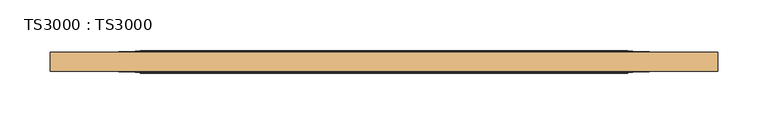
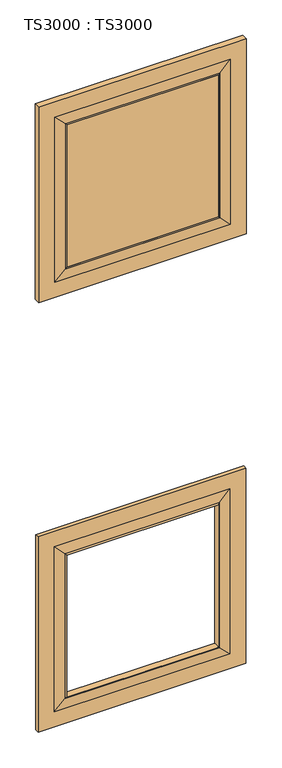
"""IFC4 building model written with IfcOpenShell, lengths in millimetres: door geometry, TS3000 : TS3000."""

from ifc_helpers import new_model, si_unit, frame, origin, place, context, project, spatial, polyline, ellipse_curve, outline, extrude, source, transform, mapped, element, save
from ifc_brep_helpers import plane_surface, revolved_surface, advanced_brep


def ts3000_ts3000_b3d2ea40(model_context):
    return source(origin(), model_context, "Body", "SolidModel", [
        advanced_brep(
        [(787.4, -12.7, 2311.4), (787.4, -31.75, 2311.4), (787.4, -31.75, 1655.2333333), (787.4, -12.7, 1655.2333333), (698.5, -33.3375, 2222.5), (698.5, -11.1125, 2222.5), (698.5, -11.1125, 1744.1333333), (698.5, -33.3375, 1744.1333333), (127.0, -31.75, 1655.2333333), (127.0, -12.7, 1655.2333333), (215.9, -11.1125, 1744.1333333), (215.9, -33.3375, 1744.1333333), (127.0, -31.75, 2311.4), (127.0, -12.7, 2311.4), (215.9, -11.1125, 2222.5), (215.9, -33.3375, 2222.5), (736.6, -31.75, 1706.0333333), (177.8, -31.75, 1706.0333333), (177.8, -31.75, 2260.6), (736.6, -31.75, 2260.6), (736.6, -12.7, 2260.6), (177.8, -12.7, 2260.6), (177.8, -12.7, 1706.0333333), (736.6, -12.7, 1706.0333333), (703.2625, -32.54375, 2227.2625), (703.2625, -32.54375, 1739.3708333), (211.1375, -32.54375, 1739.3708333), (211.1375, -32.54375, 2227.2625), (703.2625, -11.90625, 2227.2625), (703.2625, -11.90625, 1739.3708333), (211.1375, -11.90625, 1739.3708333), (211.1375, -11.90625, 2227.2625)],
        [
            (0, 1),
            (1, 2),
            (2, 3),
            (3, 0),
            (4, 5),
            (5, 6),
            (6, 7),
            (7, 4),
            (2, 8),
            (8, 9),
            (9, 3),
            (6, 10),
            (10, 11),
            (11, 7),
            (8, 12),
            (12, 13),
            (13, 9),
            (10, 14),
            (14, 15),
            (15, 11),
            (1, 12),
            (16, 17),
            (17, 18),
            (18, 19),
            (19, 16),
            (0, 13),
            (20, 21),
            (21, 22),
            (22, 23),
            (23, 20),
            (14, 5),
            (4, 15),
            (19, 24),
            (24, 25),
            (25, 16),
            (25, 26),
            (26, 17),
            (26, 27),
            (27, 18),
            (27, 24),
            (28, 20),
            (23, 29),
            (29, 28),
            (5, 28, ellipse_curve(frame((703.7585938, 5.7546875, 2227.7585938), z_axis=(-0.7071067811865475, 0.0, 0.7071067811865475), x_axis=(-0.7071067811865474, 0.0, -0.7071067811865476)), 24.9861891, 17.6679037)),
            (29, 6, ellipse_curve(frame((703.7585938, 5.7546875, 1738.8747396), z_axis=(-0.7071067811865475, 0.0, -0.7071067811865475), x_axis=(0.7071067811865474, 0.0, -0.7071067811865476)), 24.9861891, 17.6679037)),
            (24, 4, ellipse_curve(frame((703.7585938, -50.2046875, 2227.7585938), z_axis=(-0.7071067811865475, 0.0, 0.7071067811865475), x_axis=(-0.7071067811865474, 0.0, -0.7071067811865476)), 24.9861891, 17.6679037)),
            (7, 25, ellipse_curve(frame((703.7585938, -50.2046875, 1738.8747396), z_axis=(-0.7071067811865475, 0.0, -0.7071067811865475), x_axis=(0.7071067811865474, 0.0, -0.7071067811865476)), 24.9861891, 17.6679037)),
            (22, 30),
            (30, 29),
            (30, 10, ellipse_curve(frame((210.6414063, 5.7546875, 1738.8747396), z_axis=(-0.7071067811865475, 0.0, 0.7071067811865475), x_axis=(-0.7071067811865476, 0.0, -0.7071067811865474)), 24.9861891, 17.6679037)),
            (11, 26, ellipse_curve(frame((210.6414063, -50.2046875, 1738.8747396), z_axis=(-0.7071067811865475, 0.0, 0.7071067811865475), x_axis=(-0.7071067811865476, 0.0, -0.7071067811865474)), 24.9861891, 17.6679037)),
            (21, 31),
            (31, 30),
            (31, 14, ellipse_curve(frame((210.6414063, 5.7546875, 2227.7585938), z_axis=(0.7071067811865475, 0.0, 0.7071067811865475), x_axis=(-0.7071067811865474, 0.0, 0.7071067811865476)), 24.9861891, 17.6679037)),
            (15, 27, ellipse_curve(frame((210.6414063, -50.2046875, 2227.7585938), z_axis=(0.7071067811865475, 0.0, 0.7071067811865475), x_axis=(-0.7071067811865474, 0.0, 0.7071067811865476)), 24.9861891, 17.6679037)),
            (28, 31),
        ],
        [
            plane_surface(frame((787.4, -31.75, 2311.4), z_axis=(1.0, 0.0, 0.0), x_axis=(0.0, 0.0, -1.0))),
            plane_surface(frame((698.5, -11.1125, 2222.5), z_axis=(-1.0, 0.0, 0.0), x_axis=(0.0, 0.0, -1.0))),
            plane_surface(frame((787.4, -31.75, 1655.2333333), z_axis=(0.0, 0.0, -1.0), x_axis=(-1.0, 0.0, 0.0))),
            plane_surface(frame((698.5, -11.1125, 1744.1333333), z_axis=(0.0, 0.0, 1.0), x_axis=(-1.0, 0.0, 0.0))),
            plane_surface(frame((127.0, -31.75, 1655.2333333), z_axis=(-1.0, 0.0, 0.0), x_axis=(0.0, 0.0, 1.0))),
            plane_surface(frame((215.9, -11.1125, 1744.1333333), z_axis=(1.0, 0.0, 0.0), x_axis=(0.0, 0.0, 1.0))),
            plane_surface(frame((177.8, -31.75, 2260.6), z_axis=(0.0, -1.0, 0.0), x_axis=(1.0, 0.0, 0.0))),
            plane_surface(frame((127.0, -31.75, 2311.4), z_axis=(0.0, 0.0, 1.0), x_axis=(1.0, 0.0, 0.0))),
            plane_surface(frame((127.0, -12.7, 2311.4), z_axis=(0.0, 1.0, 0.0), x_axis=(1.0, 0.0, 0.0))),
            plane_surface(frame((215.9, -11.1125, 2222.5), z_axis=(0.0, 0.0, -1.0), x_axis=(1.0, 0.0, 0.0))),
            plane_surface(frame((703.2625, -32.54375, 2227.2625), z_axis=(0.023802777946325054, -0.9997166737441353, 0.0), x_axis=(0.0, 0.0, -1.0))),
            plane_surface(frame((703.2625, -32.54375, 1739.3708333), z_axis=(0.0, -0.9997166737441353, -0.02380277794632829), x_axis=(-1.0, 0.0, 0.0))),
            plane_surface(frame((211.1375, -32.54375, 1739.3708333), z_axis=(-0.023802777946331524, -0.9997166737441352, 0.0), x_axis=(0.0, 0.0, 1.0))),
            plane_surface(frame((211.1375, -32.54375, 2227.2625), z_axis=(0.0, -0.9997166737441353, 0.02380277794632829), x_axis=(1.0, 0.0, 0.0))),
            plane_surface(frame((736.6, -12.7, 2260.6), z_axis=(0.023802777946332284, 0.9997166737441352, 0.0), x_axis=(0.0, 0.0, -1.0))),
            revolved_surface(polyline([(686.0906901, 5.7546875, 1721.2068358513807), (686.0906901, 5.7546875, 2245.4264975486194)]), (703.7585938, 5.7546875, 2222.5), (0.0, 0.0, -1.0)),
            revolved_surface(polyline([(686.0906901, -50.2046875, 1721.2068358513807), (686.0906901, -50.2046875, 2245.4264975486194)]), (703.7585938, -50.2046875, 2222.5), (0.0, 0.0, -1.0)),
            plane_surface(frame((736.6, -12.7, 1706.0333333), z_axis=(0.0, 0.9997166737441353, -0.02380277794632905), x_axis=(-1.0, 0.0, 0.0))),
            revolved_surface(polyline([(192.9735025513806, 5.7546875, 1756.5426433), (721.4264975486194, 5.7546875, 1756.5426433)]), (698.5, 5.7546875, 1738.8747396), (-1.0, 0.0, 0.0)),
            revolved_surface(polyline([(192.9735025513806, -50.2046875, 1756.5426433), (721.4264975486194, -50.2046875, 1756.5426433)]), (698.5, -50.2046875, 1738.8747396), (-1.0, 0.0, 0.0)),
            plane_surface(frame((177.8, -12.7, 1706.0333333), z_axis=(-0.023802777946325817, 0.9997166737441354, 0.0), x_axis=(0.0, 0.0, 1.0))),
            revolved_surface(polyline([(228.30931, 5.7546875, 2245.4264975486194), (228.30931, 5.7546875, 1721.2068358513807)]), (210.6414063, 5.7546875, 1744.1333333), (0.0, 0.0, 1.0)),
            revolved_surface(polyline([(228.30931, -50.2046875, 2245.4264975486194), (228.30931, -50.2046875, 1721.2068358513807)]), (210.6414063, -50.2046875, 1744.1333333), (0.0, 0.0, 1.0)),
            plane_surface(frame((177.8, -12.7, 2260.6), z_axis=(0.0, 0.9997166737441353, 0.02380277794632905), x_axis=(1.0, 0.0, 0.0))),
            revolved_surface(polyline([(721.4264975486194, 5.7546875, 2210.0906901000003), (192.9735025513806, 5.7546875, 2210.0906901000003)]), (215.9, 5.7546875, 2227.7585938), (1.0, 0.0, 0.0)),
            revolved_surface(polyline([(721.4264975486194, -50.2046875, 2210.0906901000003), (192.9735025513806, -50.2046875, 2210.0906901000003)]), (215.9, -50.2046875, 2227.7585938), (1.0, 0.0, 0.0)),
        ],
        [
            (0, [[1, 2, 3, 4]]),
            (1, [[5, 6, 7, 8]]),
            (2, [[-3, 9, 10, 11]]),
            (3, [[-7, 12, 13, 14]]),
            (4, [[-10, 15, 16, 17]]),
            (5, [[-13, 18, 19, 20]]),
            (6, [[21, -15, -9, -2], [22, 23, 24, 25]]),
            (7, [[-16, -21, -1, 26]]),
            (8, [[-11, -17, -26, -4], [27, 28, 29, 30]]),
            (9, [[-19, 31, -5, 32]]),
            (10, [[33, 34, 35, -25]]),
            (11, [[-35, 36, 37, -22]]),
            (12, [[-37, 38, 39, -23]]),
            (13, [[-39, 40, -33, -24]]),
            (14, [[41, -30, 42, 43]]),
            (15, [[44, -43, 45, -6]]),
            (16, [[46, -8, 47, -34]]),
            (17, [[-42, -29, 48, 49]]),
            (18, [[-45, -49, 50, -12]]),
            (19, [[-47, -14, 51, -36]]),
            (20, [[-48, -28, 52, 53]]),
            (21, [[-50, -53, 54, -18]]),
            (22, [[-51, -20, 55, -38]]),
            (23, [[-52, -27, -41, 56]]),
            (24, [[-54, -56, -44, -31]]),
            (25, [[-55, -32, -46, -40]]),
        ],
    ),
        advanced_brep(
        [(787.4, -15.875, 865.7166667), (787.4, -28.575, 865.7166667), (787.4, -28.575, 209.55), (787.4, -15.875, 209.55), (698.5, -33.3375, 776.8166667), (698.5, -11.1125, 776.8166667), (698.5, -11.1125, 298.45), (698.5, -33.3375, 298.45), (127.0, -28.575, 209.55), (127.0, -15.875, 209.55), (215.9, -11.1125, 298.45), (215.9, -33.3375, 298.45), (127.0, -28.575, 865.7166667), (127.0, -15.875, 865.7166667), (215.9, -11.1125, 776.8166667), (215.9, -33.3375, 776.8166667), (736.6, -28.575, 260.35), (177.8, -28.575, 260.35), (177.8, -28.575, 814.9166667), (736.6, -28.575, 814.9166667), (736.6, -15.875, 814.9166667), (177.8, -15.875, 814.9166667), (177.8, -15.875, 260.35), (736.6, -15.875, 260.35), (703.2625, -30.95625, 781.5791667), (703.2625, -30.95625, 293.6875), (211.1375, -30.95625, 293.6875), (211.1375, -30.95625, 781.5791667), (703.2625, -13.49375, 781.5791667), (703.2625, -13.49375, 293.6875), (211.1375, -13.49375, 293.6875), (211.1375, -13.49375, 781.5791667)],
        [
            (0, 1),
            (1, 2),
            (2, 3),
            (3, 0),
            (4, 5),
            (5, 6),
            (6, 7),
            (7, 4),
            (2, 8),
            (8, 9),
            (9, 3),
            (6, 10),
            (10, 11),
            (11, 7),
            (8, 12),
            (12, 13),
            (13, 9),
            (10, 14),
            (14, 15),
            (15, 11),
            (1, 12),
            (16, 17),
            (17, 18),
            (18, 19),
            (19, 16),
            (0, 13),
            (20, 21),
            (21, 22),
            (22, 23),
            (23, 20),
            (14, 5),
            (4, 15),
            (19, 24),
            (24, 25),
            (25, 16),
            (25, 26),
            (26, 17),
            (26, 27),
            (27, 18),
            (27, 24),
            (28, 20),
            (23, 29),
            (29, 28),
            (5, 28, ellipse_curve(frame((703.7585938, -6.5484375, 782.0752604), z_axis=(-0.7071067811865475, 0.0, 0.7071067811865475), x_axis=(-0.7071067811865474, 0.0, -0.7071067811865476)), 9.8471798, 6.9630076)),
            (29, 6, ellipse_curve(frame((703.7585938, -6.5484375, 293.1914062), z_axis=(-0.7071067811865475, 0.0, -0.7071067811865475), x_axis=(0.7071067811865474, 0.0, -0.7071067811865476)), 9.8471798, 6.9630076)),
            (24, 4, ellipse_curve(frame((703.7585938, -37.9015625, 782.0752604), z_axis=(-0.7071067811865475, 0.0, 0.7071067811865475), x_axis=(-0.7071067811865474, 0.0, -0.7071067811865476)), 9.8471798, 6.9630076)),
            (7, 25, ellipse_curve(frame((703.7585938, -37.9015625, 293.1914062), z_axis=(-0.7071067811865475, 0.0, -0.7071067811865475), x_axis=(0.7071067811865474, 0.0, -0.7071067811865476)), 9.8471798, 6.9630076)),
            (22, 30),
            (30, 29),
            (30, 10, ellipse_curve(frame((210.6414063, -6.5484375, 293.1914062), z_axis=(-0.7071067811865475, 0.0, 0.7071067811865475), x_axis=(-0.7071067811865476, 0.0, -0.7071067811865474)), 9.8471798, 6.9630076)),
            (11, 26, ellipse_curve(frame((210.6414063, -37.9015625, 293.1914062), z_axis=(-0.7071067811865475, 0.0, 0.7071067811865475), x_axis=(-0.7071067811865476, 0.0, -0.7071067811865474)), 9.8471798, 6.9630076)),
            (21, 31),
            (31, 30),
            (31, 14, ellipse_curve(frame((210.6414063, -6.5484375, 782.0752604), z_axis=(0.7071067811865475, 0.0, 0.7071067811865475), x_axis=(-0.7071067811865474, 0.0, 0.7071067811865476)), 9.8471798, 6.9630076)),
            (15, 27, ellipse_curve(frame((210.6414063, -37.9015625, 782.0752604), z_axis=(0.7071067811865475, 0.0, 0.7071067811865475), x_axis=(-0.7071067811865474, 0.0, 0.7071067811865476)), 9.8471798, 6.9630076)),
            (28, 31),
        ],
        [
            plane_surface(frame((787.4, -28.575, 865.7166667), z_axis=(1.0, 0.0, 0.0), x_axis=(0.0, 0.0, -1.0))),
            plane_surface(frame((698.5, -11.1125, 776.8166667), z_axis=(-1.0, 0.0, 0.0), x_axis=(0.0, 0.0, -1.0))),
            plane_surface(frame((787.4, -28.575, 209.55), z_axis=(0.0, 0.0, -1.0), x_axis=(-1.0, 0.0, 0.0))),
            plane_surface(frame((698.5, -11.1125, 298.45), z_axis=(0.0, 0.0, 1.0), x_axis=(-1.0, 0.0, 0.0))),
            plane_surface(frame((127.0, -28.575, 209.55), z_axis=(-1.0, 0.0, 0.0), x_axis=(0.0, 0.0, 1.0))),
            plane_surface(frame((215.9, -11.1125, 298.45), z_axis=(1.0, 0.0, 0.0), x_axis=(0.0, 0.0, 1.0))),
            plane_surface(frame((177.8, -28.575, 814.9166667), z_axis=(0.0, -1.0, 0.0), x_axis=(1.0, 0.0, 0.0))),
            plane_surface(frame((127.0, -28.575, 865.7166667), z_axis=(0.0, 0.0, 1.0), x_axis=(1.0, 0.0, 0.0))),
            plane_surface(frame((127.0, -15.875, 865.7166667), z_axis=(0.0, 1.0, 0.0), x_axis=(1.0, 0.0, 0.0))),
            plane_surface(frame((215.9, -11.1125, 776.8166667), z_axis=(0.0, 0.0, -1.0), x_axis=(1.0, 0.0, 0.0))),
            plane_surface(frame((703.2625, -30.95625, 781.5791667), z_axis=(0.07124704998802812, -0.9974586998307265, 0.0), x_axis=(0.0, 0.0, -1.0))),
            plane_surface(frame((703.2625, -30.95625, 293.6875), z_axis=(0.0, -0.9974586998307263, -0.07124704998803134), x_axis=(-1.0, 0.0, 0.0))),
            plane_surface(frame((211.1375, -30.95625, 293.6875), z_axis=(-0.07124704998803456, -0.9974586998307261, 0.0), x_axis=(0.0, 0.0, 1.0))),
            plane_surface(frame((211.1375, -30.95625, 781.5791667), z_axis=(0.0, -0.9974586998307263, 0.07124704998803134), x_axis=(1.0, 0.0, 0.0))),
            plane_surface(frame((736.6, -15.875, 814.9166667), z_axis=(0.07124704998803483, 0.9974586998307261, 0.0), x_axis=(0.0, 0.0, -1.0))),
            revolved_surface(polyline([(696.7955862, -6.5484375, 286.2283985878568), (696.7955862, -6.5484375, 789.0382680121432)]), (703.7585938, -6.5484375, 776.8166667), (0.0, 0.0, -1.0)),
            revolved_surface(polyline([(696.7955862, -37.9015625, 286.2283985878568), (696.7955862, -37.9015625, 789.0382680121432)]), (703.7585938, -37.9015625, 776.8166667), (0.0, 0.0, -1.0)),
            plane_surface(frame((736.6, -15.875, 260.35), z_axis=(0.0, 0.9974586998307263, -0.07124704998803161), x_axis=(-1.0, 0.0, 0.0))),
            revolved_surface(polyline([(203.67839868785677, -6.5484375, 300.15441380000004), (710.7216014121432, -6.5484375, 300.15441380000004)]), (698.5, -6.5484375, 293.1914062), (-1.0, 0.0, 0.0)),
            revolved_surface(polyline([(203.67839868785677, -37.9015625, 300.15441380000004), (710.7216014121432, -37.9015625, 300.15441380000004)]), (698.5, -37.9015625, 293.1914062), (-1.0, 0.0, 0.0)),
            plane_surface(frame((177.8, -15.875, 260.35), z_axis=(-0.07124704998802839, 0.9974586998307265, 0.0), x_axis=(0.0, 0.0, 1.0))),
            revolved_surface(polyline([(217.6044139, -6.5484375, 789.0382680121432), (217.6044139, -6.5484375, 286.2283985878568)]), (210.6414063, -6.5484375, 298.45), (0.0, 0.0, 1.0)),
            revolved_surface(polyline([(217.6044139, -37.9015625, 789.0382680121432), (217.6044139, -37.9015625, 286.2283985878568)]), (210.6414063, -37.9015625, 298.45), (0.0, 0.0, 1.0)),
            plane_surface(frame((177.8, -15.875, 814.9166667), z_axis=(0.0, 0.9974586998307263, 0.07124704998803161), x_axis=(1.0, 0.0, 0.0))),
            revolved_surface(polyline([(710.7216014121432, -6.5484375, 775.1122528000001), (203.6783986878568, -6.5484375, 775.1122528000001)]), (215.9, -6.5484375, 782.0752604), (1.0, 0.0, 0.0)),
            revolved_surface(polyline([(710.7216014121432, -37.9015625, 775.1122528000001), (203.6783986878568, -37.9015625, 775.1122528000001)]), (215.9, -37.9015625, 782.0752604), (1.0, 0.0, 0.0)),
        ],
        [
            (0, [[1, 2, 3, 4]]),
            (1, [[5, 6, 7, 8]]),
            (2, [[-3, 9, 10, 11]]),
            (3, [[-7, 12, 13, 14]]),
            (4, [[-10, 15, 16, 17]]),
            (5, [[-13, 18, 19, 20]]),
            (6, [[21, -15, -9, -2], [22, 23, 24, 25]]),
            (7, [[-16, -21, -1, 26]]),
            (8, [[-11, -17, -26, -4], [27, 28, 29, 30]]),
            (9, [[-19, 31, -5, 32]]),
            (10, [[33, 34, 35, -25]]),
            (11, [[-35, 36, 37, -22]]),
            (12, [[-37, 38, 39, -23]]),
            (13, [[-39, 40, -33, -24]]),
            (14, [[41, -30, 42, 43]]),
            (15, [[44, -43, 45, -6]]),
            (16, [[46, -8, 47, -34]]),
            (17, [[-42, -29, 48, 49]]),
            (18, [[-45, -49, 50, -12]]),
            (19, [[-47, -14, 51, -36]]),
            (20, [[-48, -28, 52, 53]]),
            (21, [[-50, -53, 54, -18]]),
            (22, [[-51, -20, 55, -38]]),
            (23, [[-52, -27, -41, 56]]),
            (24, [[-54, -56, -44, -31]]),
            (25, [[-55, -32, -46, -40]]),
        ],
    ),
        extrude(outline(polyline([(215.9, -11.1125), (698.5, -11.1125), (698.5, -33.3375), (215.9, -33.3375), (215.9, -11.1125)])), frame((0.0, 0.0, 1744.1333333), z_axis=(0.0, 0.0, 1.0), x_axis=(1.0, 0.0, 0.0)), (0.0, 0.0, 1.0), 478.3666667),
    ])


if __name__ == "__main__":
    model = new_model("IFC4")
    model_context = context("Model", 3, world=origin())
    ifc_project = project(units=[si_unit("LENGTHUNIT", "METRE", prefix="MILLI")], contexts=[model_context])
    site = spatial("IfcSite", under=ifc_project)
    building = spatial("IfcBuilding", under=site)
    placement = place(None, origin())
    ts3000_ts3000_shape = ts3000_ts3000_b3d2ea40(model_context)
    element("IfcDoor", 1, ObjectType="TS3000 : TS3000", at=placement, inside=building, context=model_context, shape_type="MappedRepresentation", body=[
        mapped(ts3000_ts3000_shape, transform((0.0, 0.0, 0.0), x_axis=(1.0, 0.0, 0.0), y_axis=(0.0, 1.0, 0.0), z_axis=(0.0, 0.0, 1.0))),
    ])
    save(model, "model.ifc")
